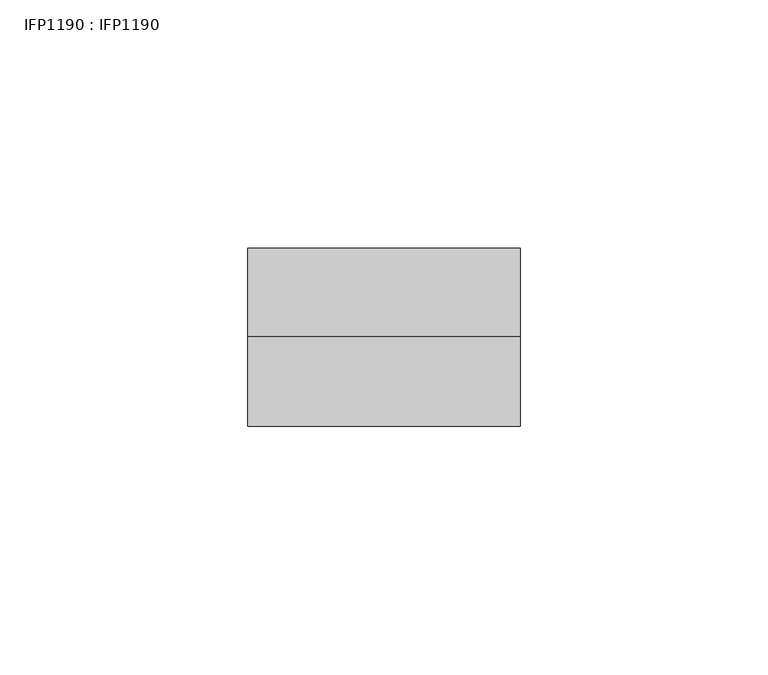
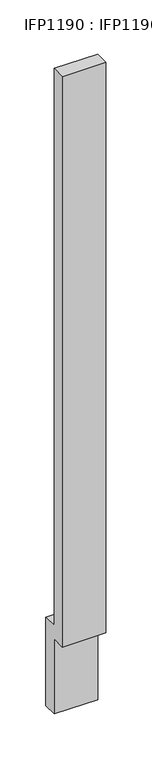
"""IFC4 building model written with IfcOpenShell, lengths in millimetres: proxy geometry, IFP1190 : IFP1190."""

from ifc_helpers import new_model, si_unit, frame, origin, place, context, project, spatial, polyline, outline, extrude, source, transform, mapped, element, save


def ifp1190_ifp1190_ef547227(model_context):
    return source(origin(), model_context, "Body", "SweptSolid", [
        extrude(outline(polyline([(-36.0, 100.0), (-36.0, 860.0), (-18.0, 860.0), (-18.0, 118.0), (0.0, 118.0), (0.0, 0.0), (-18.0, 0.0), (-18.0, 100.0), (-36.0, 100.0)])), frame((0.0, 0.0, 0.0), z_axis=(1.0, 0.0, 0.0), x_axis=(0.0, 1.0, 0.0)), (0.0, 0.0, 1.0), 55.0),
    ])


if __name__ == "__main__":
    model = new_model("IFC4")
    model_context = context("Model", 3, world=origin())
    ifc_project = project(units=[si_unit("LENGTHUNIT", "METRE", prefix="MILLI")], contexts=[model_context])
    site = spatial("IfcSite", under=ifc_project)
    building = spatial("IfcBuilding", under=site)
    placement = place(None, origin())
    ifp1190_ifp1190_shape = ifp1190_ifp1190_ef547227(model_context)
    element("IfcBuildingElementProxy", 1, Name="IFP1190 : IFP1190", ObjectType="IFP1190 : IFP1190", at=placement, inside=building, context=model_context, shape_type="MappedRepresentation", body=[
        mapped(ifp1190_ifp1190_shape, transform((0.0, 0.0, 0.0), x_axis=(1.0, 0.0, 0.0), y_axis=(0.0, 1.0, 0.0), z_axis=(0.0, 0.0, 1.0))),
    ])
    save(model, "model.ifc")
